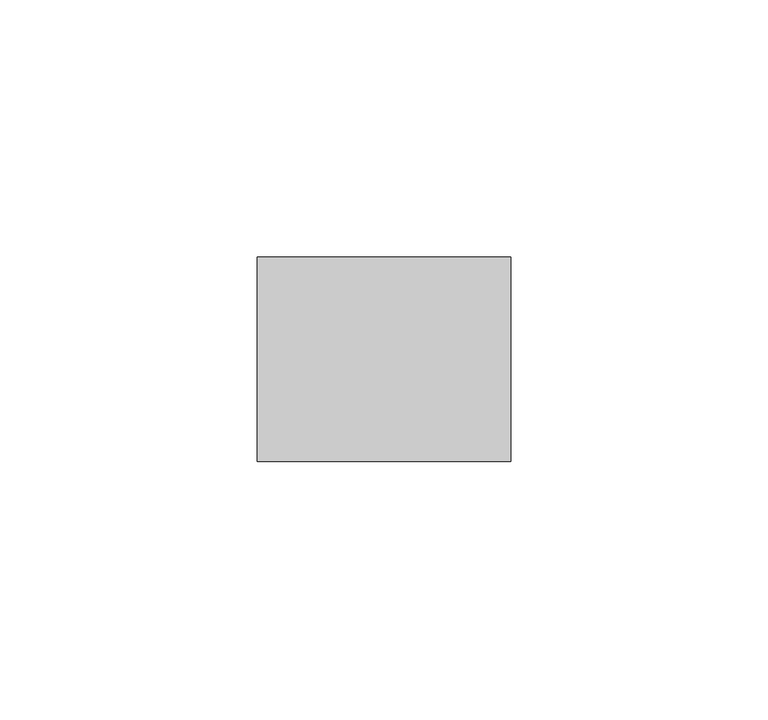
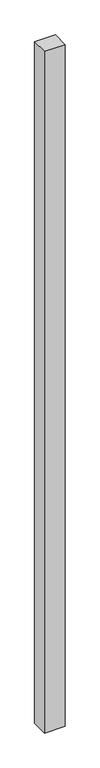
"""IFC4 building model written with IfcOpenShell, lengths in millimetres: plate geometry."""

from ifc_helpers import new_model, si_unit, origin, origin_with_axes, place, context, project, spatial, polyline, outline, extrude, source, transform, mapped, element, save


def plate_a13d5807(model_context):
    return source(origin(), model_context, "Body", "SweptSolid", [
        extrude(outline(polyline([(24.6226925, -19.84375), (-24.6226925, -19.84375), (-24.6226925, 19.84375), (24.6226925, 19.84375), (24.6226925, -19.84375)])), origin_with_axes(), (0.0, 0.0, 1.0), 1708.8912252),
    ])


if __name__ == "__main__":
    model = new_model("IFC4")
    model_context = context("Model", 3, world=origin())
    ifc_project = project(units=[si_unit("LENGTHUNIT", "METRE", prefix="MILLI")], contexts=[model_context])
    site = spatial("IfcSite", under=ifc_project)
    building = spatial("IfcBuilding", under=site)
    placement = place(None, origin())
    plate_shape = plate_a13d5807(model_context)
    element("IfcPlate", 1, at=placement, inside=building, context=model_context, shape_type="MappedRepresentation", body=[
        mapped(plate_shape, transform((0.0, 0.0, 0.0), x_axis=(1.0, 0.0, 0.0), y_axis=(0.0, 1.0, 0.0), z_axis=(0.0, 0.0, 1.0))),
    ])
    save(model, "model.ifc")
